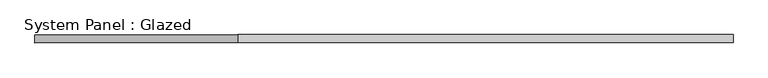
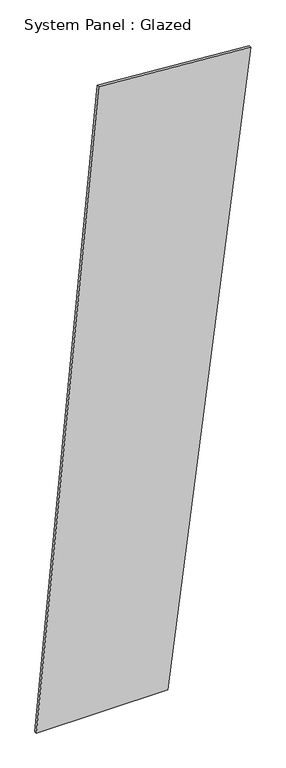
"""IFC4 building model written with IfcOpenShell, lengths in millimetres: plate geometry, System Panel : Glazed."""

from ifc_helpers import new_model, si_unit, frame, origin, place, context, project, spatial, polyline, outline, extrude, source, transform, mapped, element, save


def system_panel_glazed_f93f6b74(model_context):
    return source(origin(), model_context, "Body", "SweptSolid", [
        extrude(outline(polyline([(0.0, -1099.5991862), (0.0, 249.1610528), (6665.7948098, 1099.5991862), (6784.6555101, -461.4091496), (0.0, -1099.5991862)])), frame((0.0, 24.5, 0.0), z_axis=(0.0, 1.0, 0.0), x_axis=(0.0, 0.0, 1.0)), (0.0, 0.0, 1.0), 25.0),
    ])


if __name__ == "__main__":
    model = new_model("IFC4")
    model_context = context("Model", 3, world=origin())
    ifc_project = project(units=[si_unit("LENGTHUNIT", "METRE", prefix="MILLI")], contexts=[model_context])
    site = spatial("IfcSite", under=ifc_project)
    building = spatial("IfcBuilding", under=site)
    placement = place(None, origin())
    system_panel_glazed_shape = system_panel_glazed_f93f6b74(model_context)
    element("IfcPlate", 1, ObjectType="System Panel : Glazed", at=placement, inside=building, context=model_context, shape_type="MappedRepresentation", body=[
        mapped(system_panel_glazed_shape, transform((0.0, 0.0, 0.0), x_axis=(1.0, 0.0, 0.0), y_axis=(0.0, 1.0, 0.0), z_axis=(0.0, 0.0, 1.0))),
    ])
    save(model, "model.ifc")
